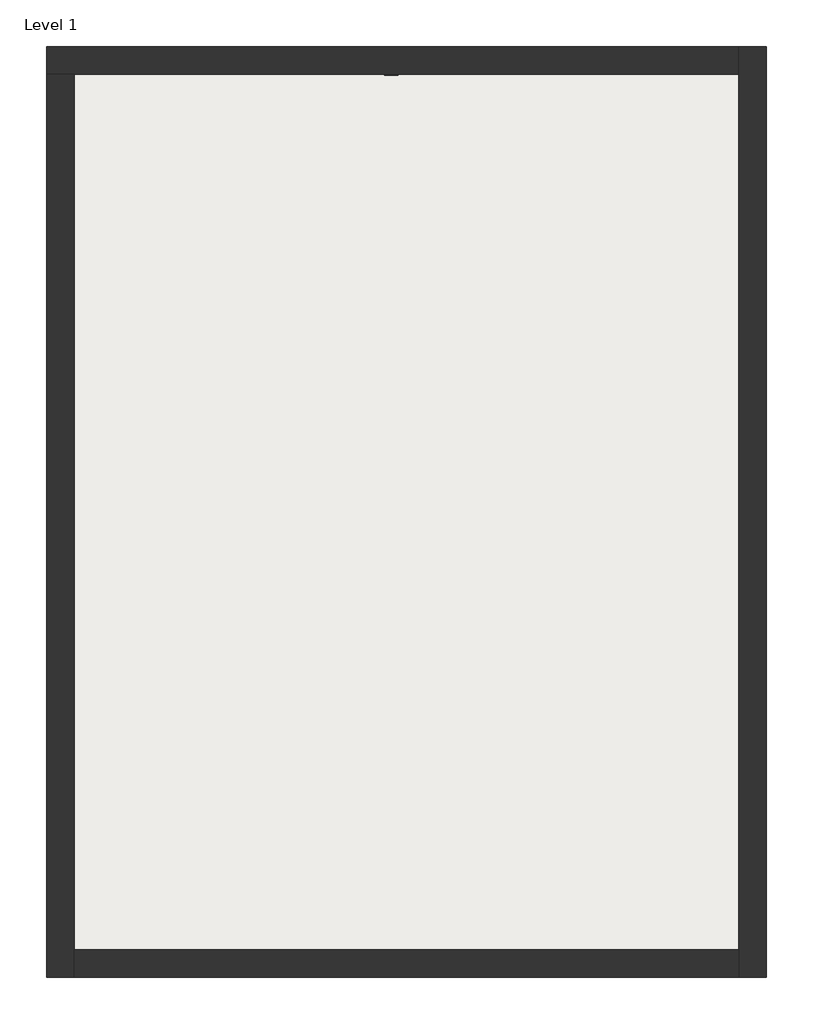
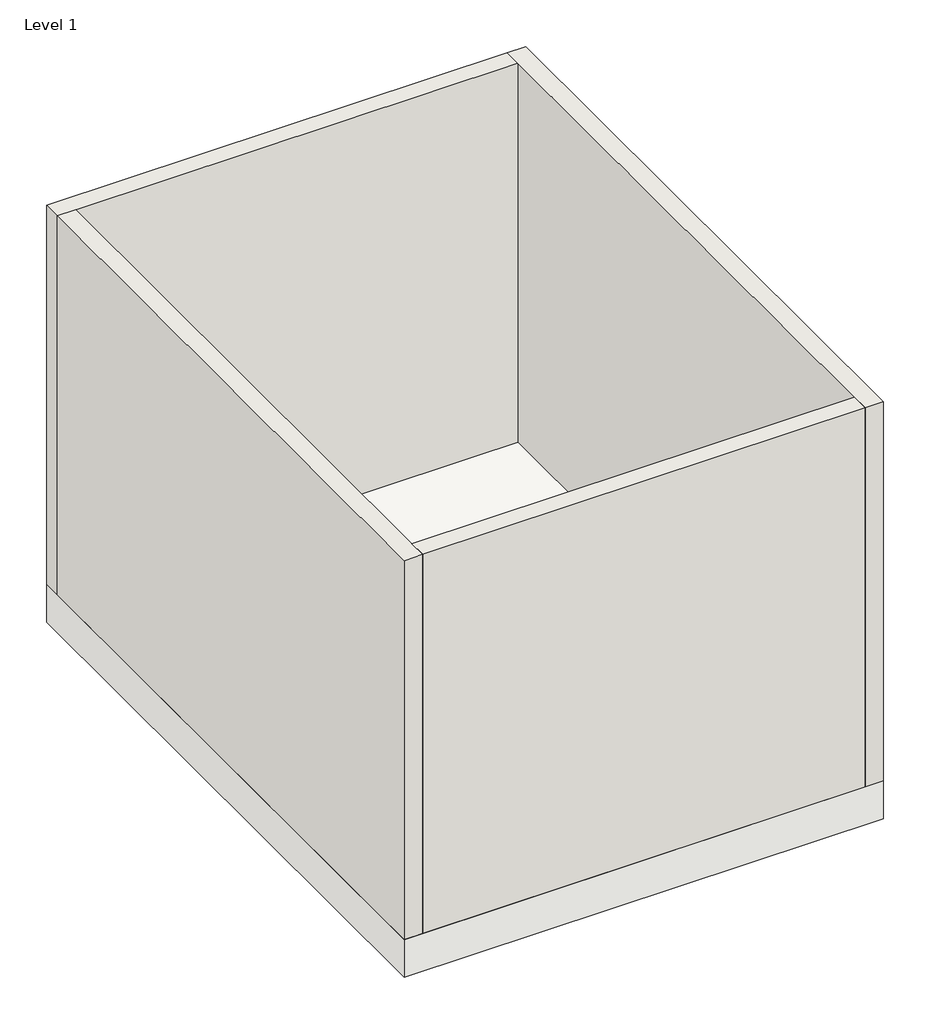
# One storey: 4 walls, 1 proxy, 1 slab.
"""IFC4 building model written with IfcOpenShell, lengths in millimetres."""

import ifcopenshell
import ifcopenshell.guid

model = None  # the IFC model being written
_history = None  # IfcOwnerHistory: only IFC2X3 demands one
_inside = {}  # id of a spatial element -> (the spatial element, [elements in it])
_under = {}  # id of a project, library or spatial element -> (it, [spatial elements below it])
_declared = {}  # id of a project -> (the project, [libraries it declares])
_typed = {}  # id of a type object -> (the type object, [elements of that type])
_made_of = {}  # id of a material, layer set ... -> (it, [elements and type objects made of it])


def new_model(schema):
    """Start an empty IFC model of exactly this schema.

    Asked for "IFC4X3", IfcOpenShell would pick the latest addendum, in which some entities
    have other attributes; the version numbers below select the first issue.
    IFC2X3 requires an IfcOwnerHistory on every rooted entity: one is made here for all.
    """
    global model, _history
    if schema == "IFC4X3":
        model = ifcopenshell.file(schema_version=(4, 3, 0, 0))
    else:
        model = ifcopenshell.file(schema=schema)
    _inside.clear()
    _under.clear()
    _declared.clear()
    _typed.clear()
    _made_of.clear()
    _history = None
    if model.schema == "IFC2X3":
        org = make("IfcOrganization", Name="unknown")
        user = make(
            "IfcPersonAndOrganization",
            ThePerson=make("IfcPerson", FamilyName="unknown"),
            TheOrganization=org,
        )
        app = make(
            "IfcApplication",
            ApplicationDeveloper=org,
            Version="unknown",
            ApplicationFullName="unknown",
            ApplicationIdentifier="unknown",
        )
        _history = make(
            "IfcOwnerHistory",
            OwningUser=user,
            OwningApplication=app,
            ChangeAction="ADDED",
            CreationDate=0,
        )
    return model


def make(cls, **values):
    """One entity of the class cls with the attributes given. An attribute that is None is left unset."""
    return model.create_entity(
        cls, **{name: value for name, value in values.items() if value is not None}
    )


def rooted(cls, **values):
    """An entity with a GlobalId (a new one), such as an element, a storey or a relation."""
    return make(cls, GlobalId=ifcopenshell.guid.new(), OwnerHistory=_history, **values)


def si_unit(unit_type, name, prefix=None):
    """IfcSIUnit, for example si_unit("LENGTHUNIT", "METRE", prefix="MILLI")."""
    return make("IfcSIUnit", UnitType=unit_type, Prefix=prefix, Name=name)


def assignment(units):
    """IfcUnitAssignment: the units of a project."""
    return None if units is None else make("IfcUnitAssignment", Units=units)


def point(xyz):
    """IfcCartesianPoint."""
    return None if xyz is None else make("IfcCartesianPoint", Coordinates=xyz)


def direction(xyz):
    """IfcDirection."""
    return None if xyz is None else make("IfcDirection", DirectionRatios=xyz)


def frame(location, z_axis=None, x_axis=None):
    """IfcAxis2Placement3D, a coordinate frame: its origin and axes. An axis left out is left unset."""
    return make(
        "IfcAxis2Placement3D",
        Location=point(location),
        Axis=direction(z_axis),
        RefDirection=direction(x_axis),
    )


def origin():
    """The frame at (0, 0, 0) with its axes left unset."""
    return frame((0.0, 0.0, 0.0))


def origin_with_axes():
    """The frame at (0, 0, 0) with the z axis (0, 0, 1) and the x axis (1, 0, 0) written out."""
    return frame((0.0, 0.0, 0.0), z_axis=(0.0, 0.0, 1.0), x_axis=(1.0, 0.0, 0.0))


def place(relative_to, where):
    """IfcLocalPlacement: puts the frame where relative to a parent placement (None: the world)."""
    return make(
        "IfcLocalPlacement", PlacementRelTo=relative_to, RelativePlacement=where
    )


def context(
    kind, dimensions, precision=None, world=None, true_north=None, identifier=None
):
    """IfcGeometricRepresentationContext, for example the 3D "Model" context."""
    return make(
        "IfcGeometricRepresentationContext",
        ContextIdentifier=identifier,
        ContextType=kind,
        CoordinateSpaceDimension=dimensions,
        Precision=precision,
        WorldCoordinateSystem=world,
        TrueNorth=true_north,
    )


def project(units=None, contexts=None):
    """IfcProject with its units and contexts."""
    return rooted(
        "IfcProject",
        Name="project",
        RepresentationContexts=contexts,
        UnitsInContext=assignment(units),
    )


def spatial(cls, under=None, at=None, **own):
    """A site, building, storey or space (cls), placed at a placement, below another one or the project."""
    s = rooted(cls, ObjectPlacement=at, **own)
    if under is not None:
        _under.setdefault(under.id(), (under, []))[1].append(s)
    return s


def polyline(points):
    """IfcPolyline through the points."""
    return make("IfcPolyline", Points=[point(p) for p in points])


def outline(outer, holes=None, kind="AREA"):
    """IfcArbitraryClosedProfileDef: a profile drawn as a closed curve; with holes, ...WithVoids."""
    if holes is None:
        return make("IfcArbitraryClosedProfileDef", ProfileType=kind, OuterCurve=outer)
    return make(
        "IfcArbitraryProfileDefWithVoids",
        ProfileType=kind,
        OuterCurve=outer,
        InnerCurves=holes,
    )


def extrude(swept, where, along, depth):
    """IfcExtrudedAreaSolid: the profile swept, set in the frame where, extruded along a direction by depth."""
    return make(
        "IfcExtrudedAreaSolid",
        SweptArea=swept,
        Position=where,
        ExtrudedDirection=direction(along),
        Depth=depth,
    )


def faces_of(points, faces, orient=None, outer=None):
    """IfcFace entities. A face is a list of loops; a loop is a list of indices into points, from 0.

    orient and outer hold one flag for each loop. By default every Orientation is true, the
    first loop of a face is its IfcFaceOuterBound and the others are IfcFaceBound.
    """
    made = []
    for i, loops in enumerate(faces):
        bounds = []
        for j, loop in enumerate(loops):
            is_outer = j == 0 if outer is None else outer[i][j]
            bounds.append(
                make(
                    "IfcFaceOuterBound" if is_outer else "IfcFaceBound",
                    Bound=make("IfcPolyLoop", Polygon=[points[k] for k in loop]),
                    Orientation=True if orient is None else orient[i][j],
                )
            )
        made.append(make("IfcFace", Bounds=bounds))
    return made


def faceted_brep(points, faces, orient=None, outer=None, voids=None):
    """IfcFacetedBrep: a solid bounded by flat faces; with voids (closed shells), ...WithVoids."""
    shared = [point(p) for p in points]
    hull = make("IfcClosedShell", CfsFaces=faces_of(shared, faces, orient, outer))
    if voids is None:
        return make("IfcFacetedBrep", Outer=hull)
    return make(
        "IfcFacetedBrepWithVoids",
        Outer=hull,
        Voids=[
            make(cls, CfsFaces=faces_of(shared, fs, o, b)) for cls, fs, o, b in voids
        ],
    )


def shape(context_of_items, identifier, shape_type, items):
    """IfcShapeRepresentation: the items that make up one representation, for example the "Body"."""
    return make(
        "IfcShapeRepresentation",
        ContextOfItems=context_of_items,
        RepresentationIdentifier=identifier,
        RepresentationType=shape_type,
        Items=items,
    )


def source(mapping_origin, context_of_items, identifier, shape_type, items):
    """IfcRepresentationMap: a shape defined once, which mapped items show again and again."""
    return make(
        "IfcRepresentationMap",
        MappingOrigin=mapping_origin,
        MappedRepresentation=shape(context_of_items, identifier, shape_type, items),
    )


def transform(
    local_origin,
    x_axis=None,
    y_axis=None,
    z_axis=None,
    scale=None,
    scale2=None,
    scale3=None,
    uniform=True,
):
    """IfcCartesianTransformationOperator3D, or its non-uniform kind. x_axis, y_axis, z_axis: its Axis1, 2, 3."""
    if uniform:
        return make(
            "IfcCartesianTransformationOperator3D",
            Axis1=direction(x_axis),
            Axis2=direction(y_axis),
            LocalOrigin=point(local_origin),
            Scale=scale,
            Axis3=direction(z_axis),
        )
    return make(
        "IfcCartesianTransformationOperator3DnonUniform",
        Axis1=direction(x_axis),
        Axis2=direction(y_axis),
        LocalOrigin=point(local_origin),
        Scale=scale,
        Axis3=direction(z_axis),
        Scale2=scale2,
        Scale3=scale3,
    )


def mapped(mapping_source, mapping_target):
    """IfcMappedItem: shows the shape of a source again, moved by a transform."""
    return make(
        "IfcMappedItem", MappingSource=mapping_source, MappingTarget=mapping_target
    )


def made_of(thing, what):
    """Note that an element or type object is made of a material, layer set ...; save() writes the relation."""
    if what is not None:
        _made_of.setdefault(what.id(), (what, []))[1].append(thing)
    return thing


def element(
    cls,
    number,
    at=None,
    inside=None,
    cuts=None,
    type_object=None,
    material=None,
    context=None,
    identifier="Body",
    shape_type=None,
    held_by="IfcProductDefinitionShape",
    body=None,
    shapes=None,
    **own,
):
    """One element of the class cls, such as IfcWall. Its Tag is "e" and its number.

    at: its placement. inside: the storey or other place that contains it. cuts: it is an
    opening in that element (IfcRelVoidsElement). A single representation is given by context,
    identifier, shape_type and body (its items); several are given by shapes. held_by: the class
    of the entity that holds the representations. save() writes the other relations.
    """
    e = rooted(cls, Tag="e%d" % number, ObjectPlacement=at, **own)
    if body is not None:
        shapes = [shape(context, identifier, shape_type, body)]
    if shapes is not None:
        e.Representation = make(held_by, Representations=shapes)
    if inside is not None:
        _inside.setdefault(inside.id(), (inside, []))[1].append(e)
    if cuts is not None:
        rooted(
            "IfcRelVoidsElement", RelatingBuildingElement=cuts, RelatedOpeningElement=e
        )
    if type_object is not None:
        _typed.setdefault(type_object.id(), (type_object, []))[1].append(e)
    return made_of(e, material)


def aggregate(whole, parts):
    """IfcRelAggregates: a whole, such as a stair, and the parts it consists of."""
    return rooted("IfcRelAggregates", RelatingObject=whole, RelatedObjects=parts)


def save(model, path):
    """Write the relations noted so far, then the file.

    IfcRelAggregates (storeys below a building ...), IfcRelContainedInSpatialStructure (elements
    in a storey), IfcRelDefinesByType, IfcRelAssociatesMaterial and IfcRelDeclares: one each for
    every whole, place, type object, material and project.
    """
    for whole, parts in _under.values():
        aggregate(whole, parts)
    for where, things in _inside.values():
        rooted(
            "IfcRelContainedInSpatialStructure",
            RelatedElements=things,
            RelatingStructure=where,
        )
    for kind, things in _typed.values():
        rooted("IfcRelDefinesByType", RelatedObjects=things, RelatingType=kind)
    for what, things in _made_of.values():
        rooted("IfcRelAssociatesMaterial", RelatedObjects=things, RelatingMaterial=what)
    for by, libraries in _declared.values():
        rooted("IfcRelDeclares", RelatingContext=by, RelatedDefinitions=libraries)
    model.write(path)


def single_38b39737(model_context):
    return source(origin(), model_context, "Body", "SweptSolid", [
        extrude(outline(polyline([(34.925, 69.85), (-34.925, 69.85), (-34.925, 74.6125), (34.925, 74.6125), (34.925, 69.85)])), frame((0.0, 0.0, 247.65), z_axis=(0.0, 0.0, 1.0), x_axis=(1.0, 0.0, 0.0)), (0.0, 0.0, 1.0), 114.3),
    ])


model = new_model("IFC4")

# Units and contexts
model_context = context("Model", 3, world=origin())
ifc_project = project(units=[si_unit("LENGTHUNIT", "METRE", prefix="MILLI")], contexts=[model_context])

# Site, building, storey
site = spatial("IfcSite", under=ifc_project)
building = spatial("IfcBuilding", under=site)
storey = spatial("IfcBuildingStorey", under=building, Name="Level 1", Elevation=0.0)

# Proxy
placement = place(None, origin())
single_shape = single_38b39737(model_context)
element("IfcBuildingElementProxy", 1, Name="Single", ObjectType="Single", at=placement, inside=storey, context=model_context, shape_type="MappedRepresentation", body=[
    mapped(single_shape, transform((-4757.3675037, 8565.7579108, 0.0), x_axis=(-1.0, 0.0, 0.0), y_axis=(0.0, -1.0, 0.0), z_axis=(0.0, 0.0, 1.0))),
])

# Slab
element("IfcSlab", 2, ObjectType="Generic - 12\"", at=placement, inside=storey, context=model_context, shape_type="SweptSolid", body=[
    extrude(outline(polyline([(-2858.7175037, 8635.6079108), (-2858.7175037, 3923.9079108), (-6503.6175037, 3923.9079108), (-6503.6175037, 8635.6079108), (-2858.7175037, 8635.6079108)])), frame((0.0, 0.0, -304.8), z_axis=(0.0, 0.0, 1.0), x_axis=(1.0, 0.0, 0.0)), (0.0, 0.0, 1.0), 304.8),
])

# Walls
element("IfcWall", 3, ObjectType="Interior - 5 1/2\" Partition (1-hr)", at=placement, inside=storey, context=model_context, shape_type="Brep", body=[
    faceted_brep([(-6503.6175037, 8495.9079108, 0.0), (-6363.9175037, 8495.9079108, 0.0), (-2998.4175037, 8495.9079108, 0.0), (-2998.4175037, 8495.9079108, 3048.0), (-6363.9175037, 8495.9079108, 3048.0), (-6503.6175037, 8495.9079108, 3048.0), (-6503.6175037, 8635.6079108, 0.0), (-6503.6175037, 8635.6079108, 3048.0), (-2998.4175037, 8635.6079108, 3048.0), (-2998.4175037, 8635.6079108, 0.0)], [[[0, 1, 2, 3, 4, 5]], [[6, 7, 8, 9]], [[2, 1, 0, 6, 9]], [[5, 4, 3, 8, 7]], [[0, 5, 7, 6]], [[3, 2, 9, 8]]]),
])
element("IfcWall", 4, ObjectType="Interior - 5 1/2\" Partition (1-hr)", at=placement, inside=storey, context=model_context, shape_type="Brep", body=[
    faceted_brep([(-6363.9175037, 3923.9079108, 0.0), (-6363.9175037, 4063.6079108, 0.0), (-6363.9175037, 8495.9079108, 0.0), (-6363.9175037, 8495.9079108, 3048.0), (-6363.9175037, 4063.6079108, 3048.0), (-6363.9175037, 3923.9079108, 3048.0), (-6503.6175037, 3923.9079108, 0.0), (-6503.6175037, 3923.9079108, 3048.0), (-6503.6175037, 8495.9079108, 3048.0), (-6503.6175037, 8495.9079108, 0.0)], [[[0, 1, 2, 3, 4, 5]], [[6, 7, 8, 9]], [[2, 1, 0, 6, 9]], [[5, 4, 3, 8, 7]], [[0, 5, 7, 6]], [[3, 2, 9, 8]]]),
])
element("IfcWall", 5, ObjectType="Interior - 5 1/2\" Partition (1-hr)", at=placement, inside=storey, context=model_context, shape_type="SweptSolid", body=[
    extrude(outline(polyline([(-6363.9175037, 4063.6079108), (-2998.4175037, 4063.6079108), (-2998.4175037, 3923.9079108), (-6363.9175037, 3923.9079108), (-6363.9175037, 4063.6079108)])), origin_with_axes(), (0.0, 0.0, 1.0), 3048.0),
])
element("IfcWall", 6, ObjectType="Interior - 5 1/2\" Partition (1-hr)", at=placement, inside=storey, context=model_context, shape_type="Brep", body=[
    faceted_brep([(-2998.4175037, 8635.6079108, 0.0), (-2998.4175037, 8495.9079108, 0.0), (-2998.4175037, 4063.6079108, 0.0), (-2998.4175037, 3923.9079108, 0.0), (-2998.4175037, 3923.9079108, 3048.0), (-2998.4175037, 4063.6079108, 3048.0), (-2998.4175037, 8495.9079108, 3048.0), (-2998.4175037, 8635.6079108, 3048.0), (-2858.7175037, 8635.6079108, 0.0), (-2858.7175037, 8635.6079108, 3048.0), (-2858.7175037, 3923.9079108, 3048.0), (-2858.7175037, 3923.9079108, 0.0)], [[[0, 1, 2, 3, 4, 5, 6, 7]], [[8, 9, 10, 11]], [[3, 2, 1, 0, 8, 11]], [[7, 6, 5, 4, 10, 9]], [[0, 7, 9, 8]], [[4, 3, 11, 10]]]),
])

save(model, "model.ifc")
